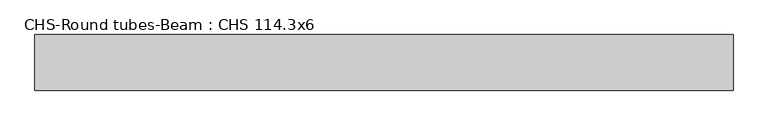
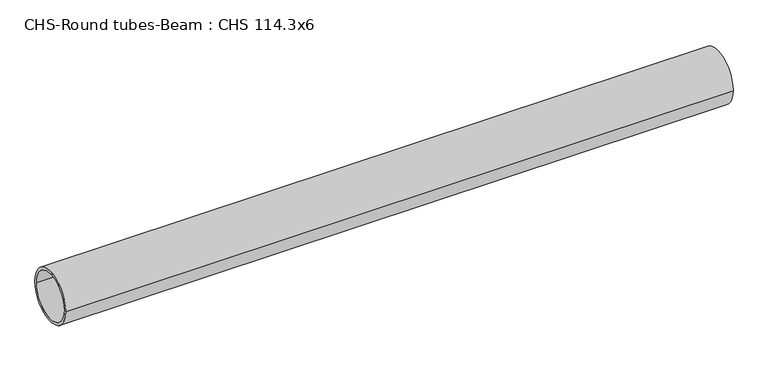
"""IFC4 building model written with IfcOpenShell, lengths in millimetres: beam geometry, CHS-Round tubes-Beam : CHS 114.3x6."""

import ifcopenshell
import ifcopenshell.guid

model = None  # the IFC model being written
_history = None  # IfcOwnerHistory: only IFC2X3 demands one
_inside = {}  # id of a spatial element -> (the spatial element, [elements in it])
_under = {}  # id of a project, library or spatial element -> (it, [spatial elements below it])
_declared = {}  # id of a project -> (the project, [libraries it declares])
_typed = {}  # id of a type object -> (the type object, [elements of that type])
_made_of = {}  # id of a material, layer set ... -> (it, [elements and type objects made of it])


def new_model(schema):
    """Start an empty IFC model of exactly this schema.

    Asked for "IFC4X3", IfcOpenShell would pick the latest addendum, in which some entities
    have other attributes; the version numbers below select the first issue.
    IFC2X3 requires an IfcOwnerHistory on every rooted entity: one is made here for all.
    """
    global model, _history
    if schema == "IFC4X3":
        model = ifcopenshell.file(schema_version=(4, 3, 0, 0))
    else:
        model = ifcopenshell.file(schema=schema)
    _inside.clear()
    _under.clear()
    _declared.clear()
    _typed.clear()
    _made_of.clear()
    _history = None
    if model.schema == "IFC2X3":
        org = make("IfcOrganization", Name="unknown")
        user = make(
            "IfcPersonAndOrganization",
            ThePerson=make("IfcPerson", FamilyName="unknown"),
            TheOrganization=org,
        )
        app = make(
            "IfcApplication",
            ApplicationDeveloper=org,
            Version="unknown",
            ApplicationFullName="unknown",
            ApplicationIdentifier="unknown",
        )
        _history = make(
            "IfcOwnerHistory",
            OwningUser=user,
            OwningApplication=app,
            ChangeAction="ADDED",
            CreationDate=0,
        )
    return model


def make(cls, **values):
    """One entity of the class cls with the attributes given. An attribute that is None is left unset."""
    return model.create_entity(
        cls, **{name: value for name, value in values.items() if value is not None}
    )


def rooted(cls, **values):
    """An entity with a GlobalId (a new one), such as an element, a storey or a relation."""
    return make(cls, GlobalId=ifcopenshell.guid.new(), OwnerHistory=_history, **values)


def si_unit(unit_type, name, prefix=None):
    """IfcSIUnit, for example si_unit("LENGTHUNIT", "METRE", prefix="MILLI")."""
    return make("IfcSIUnit", UnitType=unit_type, Prefix=prefix, Name=name)


def assignment(units):
    """IfcUnitAssignment: the units of a project."""
    return None if units is None else make("IfcUnitAssignment", Units=units)


def point(xyz):
    """IfcCartesianPoint."""
    return None if xyz is None else make("IfcCartesianPoint", Coordinates=xyz)


def direction(xyz):
    """IfcDirection."""
    return None if xyz is None else make("IfcDirection", DirectionRatios=xyz)


def frame(location, z_axis=None, x_axis=None):
    """IfcAxis2Placement3D, a coordinate frame: its origin and axes. An axis left out is left unset."""
    return make(
        "IfcAxis2Placement3D",
        Location=point(location),
        Axis=direction(z_axis),
        RefDirection=direction(x_axis),
    )


def frame_2d(location, x_axis=None):
    """IfcAxis2Placement2D, a coordinate frame in the plane: its origin and x axis."""
    return make(
        "IfcAxis2Placement2D", Location=point(location), RefDirection=direction(x_axis)
    )


def origin():
    """The frame at (0, 0, 0) with its axes left unset."""
    return frame((0.0, 0.0, 0.0))


def origin_2d():
    """The frame at (0, 0) in the plane with its x axis left unset."""
    return frame_2d((0.0, 0.0))


def place(relative_to, where):
    """IfcLocalPlacement: puts the frame where relative to a parent placement (None: the world)."""
    return make(
        "IfcLocalPlacement", PlacementRelTo=relative_to, RelativePlacement=where
    )


def context(
    kind, dimensions, precision=None, world=None, true_north=None, identifier=None
):
    """IfcGeometricRepresentationContext, for example the 3D "Model" context."""
    return make(
        "IfcGeometricRepresentationContext",
        ContextIdentifier=identifier,
        ContextType=kind,
        CoordinateSpaceDimension=dimensions,
        Precision=precision,
        WorldCoordinateSystem=world,
        TrueNorth=true_north,
    )


def project(units=None, contexts=None):
    """IfcProject with its units and contexts."""
    return rooted(
        "IfcProject",
        Name="project",
        RepresentationContexts=contexts,
        UnitsInContext=assignment(units),
    )


def spatial(cls, under=None, at=None, **own):
    """A site, building, storey or space (cls), placed at a placement, below another one or the project."""
    s = rooted(cls, ObjectPlacement=at, **own)
    if under is not None:
        _under.setdefault(under.id(), (under, []))[1].append(s)
    return s


def circle_curve(where, radius):
    """IfcCircle in the frame where."""
    return make("IfcCircle", Position=where, Radius=radius)


def trimmed(basis, trim1, trim2, sense, master):
    """IfcTrimmedCurve: the piece of a basis curve between two trims."""
    return make(
        "IfcTrimmedCurve",
        BasisCurve=basis,
        Trim1=trim1,
        Trim2=trim2,
        SenseAgreement=sense,
        MasterRepresentation=master,
    )


def segment(curve, same_sense, transition):
    """IfcCompositeCurveSegment."""
    return make(
        "IfcCompositeCurveSegment",
        Transition=transition,
        SameSense=same_sense,
        ParentCurve=curve,
    )


def composite_curve(segments, self_intersect=None):
    """IfcCompositeCurve: segments joined end to end."""
    return make("IfcCompositeCurve", Segments=segments, SelfIntersect=self_intersect)


def outline(outer, holes=None, kind="AREA"):
    """IfcArbitraryClosedProfileDef: a profile drawn as a closed curve; with holes, ...WithVoids."""
    if holes is None:
        return make("IfcArbitraryClosedProfileDef", ProfileType=kind, OuterCurve=outer)
    return make(
        "IfcArbitraryProfileDefWithVoids",
        ProfileType=kind,
        OuterCurve=outer,
        InnerCurves=holes,
    )


def extrude(swept, where, along, depth):
    """IfcExtrudedAreaSolid: the profile swept, set in the frame where, extruded along a direction by depth."""
    return make(
        "IfcExtrudedAreaSolid",
        SweptArea=swept,
        Position=where,
        ExtrudedDirection=direction(along),
        Depth=depth,
    )


def shape(context_of_items, identifier, shape_type, items):
    """IfcShapeRepresentation: the items that make up one representation, for example the "Body"."""
    return make(
        "IfcShapeRepresentation",
        ContextOfItems=context_of_items,
        RepresentationIdentifier=identifier,
        RepresentationType=shape_type,
        Items=items,
    )


def source(mapping_origin, context_of_items, identifier, shape_type, items):
    """IfcRepresentationMap: a shape defined once, which mapped items show again and again."""
    return make(
        "IfcRepresentationMap",
        MappingOrigin=mapping_origin,
        MappedRepresentation=shape(context_of_items, identifier, shape_type, items),
    )


def transform(
    local_origin,
    x_axis=None,
    y_axis=None,
    z_axis=None,
    scale=None,
    scale2=None,
    scale3=None,
    uniform=True,
):
    """IfcCartesianTransformationOperator3D, or its non-uniform kind. x_axis, y_axis, z_axis: its Axis1, 2, 3."""
    if uniform:
        return make(
            "IfcCartesianTransformationOperator3D",
            Axis1=direction(x_axis),
            Axis2=direction(y_axis),
            LocalOrigin=point(local_origin),
            Scale=scale,
            Axis3=direction(z_axis),
        )
    return make(
        "IfcCartesianTransformationOperator3DnonUniform",
        Axis1=direction(x_axis),
        Axis2=direction(y_axis),
        LocalOrigin=point(local_origin),
        Scale=scale,
        Axis3=direction(z_axis),
        Scale2=scale2,
        Scale3=scale3,
    )


def mapped(mapping_source, mapping_target):
    """IfcMappedItem: shows the shape of a source again, moved by a transform."""
    return make(
        "IfcMappedItem", MappingSource=mapping_source, MappingTarget=mapping_target
    )


def made_of(thing, what):
    """Note that an element or type object is made of a material, layer set ...; save() writes the relation."""
    if what is not None:
        _made_of.setdefault(what.id(), (what, []))[1].append(thing)
    return thing


def element(
    cls,
    number,
    at=None,
    inside=None,
    cuts=None,
    type_object=None,
    material=None,
    context=None,
    identifier="Body",
    shape_type=None,
    held_by="IfcProductDefinitionShape",
    body=None,
    shapes=None,
    **own,
):
    """One element of the class cls, such as IfcWall. Its Tag is "e" and its number.

    at: its placement. inside: the storey or other place that contains it. cuts: it is an
    opening in that element (IfcRelVoidsElement). A single representation is given by context,
    identifier, shape_type and body (its items); several are given by shapes. held_by: the class
    of the entity that holds the representations. save() writes the other relations.
    """
    e = rooted(cls, Tag="e%d" % number, ObjectPlacement=at, **own)
    if body is not None:
        shapes = [shape(context, identifier, shape_type, body)]
    if shapes is not None:
        e.Representation = make(held_by, Representations=shapes)
    if inside is not None:
        _inside.setdefault(inside.id(), (inside, []))[1].append(e)
    if cuts is not None:
        rooted(
            "IfcRelVoidsElement", RelatingBuildingElement=cuts, RelatedOpeningElement=e
        )
    if type_object is not None:
        _typed.setdefault(type_object.id(), (type_object, []))[1].append(e)
    return made_of(e, material)


def aggregate(whole, parts):
    """IfcRelAggregates: a whole, such as a stair, and the parts it consists of."""
    return rooted("IfcRelAggregates", RelatingObject=whole, RelatedObjects=parts)


def save(model, path):
    """Write the relations noted so far, then the file.

    IfcRelAggregates (storeys below a building ...), IfcRelContainedInSpatialStructure (elements
    in a storey), IfcRelDefinesByType, IfcRelAssociatesMaterial and IfcRelDeclares: one each for
    every whole, place, type object, material and project.
    """
    for whole, parts in _under.values():
        aggregate(whole, parts)
    for where, things in _inside.values():
        rooted(
            "IfcRelContainedInSpatialStructure",
            RelatedElements=things,
            RelatingStructure=where,
        )
    for kind, things in _typed.values():
        rooted("IfcRelDefinesByType", RelatedObjects=things, RelatingType=kind)
    for what, things in _made_of.values():
        rooted("IfcRelAssociatesMaterial", RelatedObjects=things, RelatingMaterial=what)
    for by, libraries in _declared.values():
        rooted("IfcRelDeclares", RelatingContext=by, RelatedDefinitions=libraries)
    model.write(path)


def chs_round_tubes_beam_chs_114_3x6_e8042848(model_context):
    return source(origin(), model_context, "Body", "SweptSolid", [
        extrude(outline(composite_curve([segment(trimmed(circle_curve(origin_2d(), 57.15), [point((57.15, 0.0))], [point((-57.15, 0.0))], False, "CARTESIAN"), True, "CONTINUOUS"), segment(trimmed(circle_curve(origin_2d(), 57.15), [point((-57.15, 0.0))], [point((57.15, 0.0))], False, "CARTESIAN"), True, "CONTINUOUS")], self_intersect=False), holes=[composite_curve([segment(trimmed(circle_curve(origin_2d(), 51.15), [point((51.15, 0.0))], [point((-51.15, 0.0))], True, "CARTESIAN"), True, "CONTINUOUS"), segment(trimmed(circle_curve(origin_2d(), 51.15), [point((-51.15, 0.0))], [point((51.15, 0.0))], True, "CARTESIAN"), True, "CONTINUOUS")], self_intersect=False)]), frame((-702.0916146, 0.0, 0.0), z_axis=(1.0, 0.0, 0.0), x_axis=(0.0, 1.0, 0.0)), (0.0, 0.0, 1.0), 1434.4857385),
    ])


if __name__ == "__main__":
    model = new_model("IFC4")
    model_context = context("Model", 3, world=origin())
    ifc_project = project(units=[si_unit("LENGTHUNIT", "METRE", prefix="MILLI")], contexts=[model_context])
    site = spatial("IfcSite", under=ifc_project)
    building = spatial("IfcBuilding", under=site)
    placement = place(None, origin())
    chs_round_tubes_beam_chs_114_3x6_shape = chs_round_tubes_beam_chs_114_3x6_e8042848(model_context)
    element("IfcBeam", 1, ObjectType="CHS-Round tubes-Beam : CHS 114.3x6", at=placement, inside=building, context=model_context, shape_type="MappedRepresentation", body=[
        mapped(chs_round_tubes_beam_chs_114_3x6_shape, transform((0.0, 0.0, 0.0), x_axis=(1.0, 0.0, 0.0), y_axis=(0.0, 1.0, 0.0), z_axis=(0.0, 0.0, 1.0))),
    ])
    save(model, "model.ifc")
